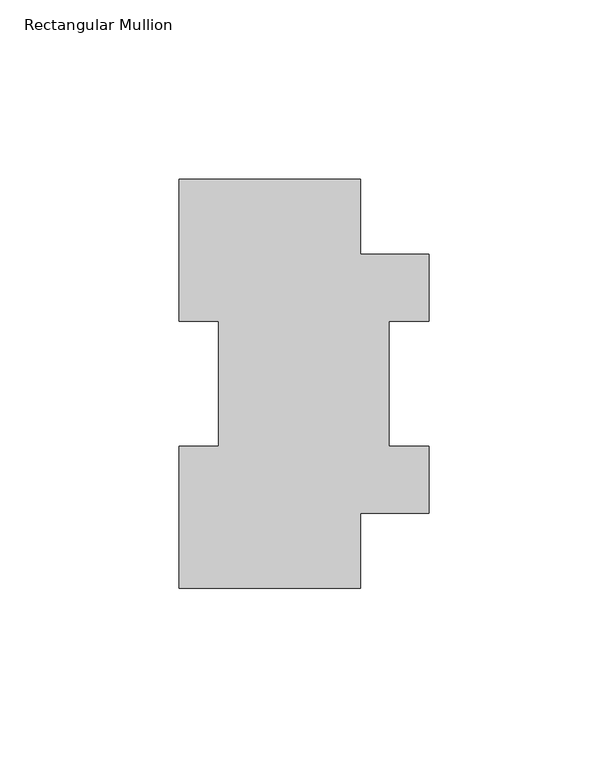
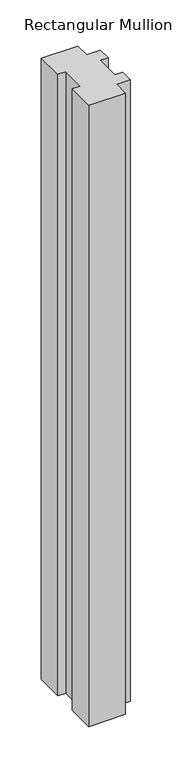
"""IFC4 building model written with IfcOpenShell, lengths in millimetres: member geometry, Rectangular Mullion."""

from ifc_helpers import new_model, si_unit, frame, origin, place, context, project, spatial, polyline, outline, extrude, source, transform, mapped, element, save


def rectangular_mullion_e54b5250(model_context):
    return source(origin(), model_context, "Body", "SweptSolid", [
        extrude(outline(polyline([(-25.3999997, 114.271425), (25.4000003, 114.271425), (25.4000003, 93.265625), (44.4500003, 93.265625), (44.4500003, 74.596625), (33.3375003, 74.596625), (33.3375003, 39.646225), (44.4500003, 39.646225), (44.4500003, 20.977225), (25.4000003, 20.977225), (25.4000003, -0.028575), (-25.3999997, -0.028575), (-25.3999997, 39.646225), (-14.2874997, 39.646225), (-14.2874997, 74.596625), (-25.3999997, 74.596625), (-25.3999997, 114.271425)])), frame((0.0, 0.0, -914.4), z_axis=(0.0, 0.0, 1.0), x_axis=(1.0, 0.0, 0.0)), (0.0, 0.0, 1.0), 914.4),
    ])


if __name__ == "__main__":
    model = new_model("IFC4")
    model_context = context("Model", 3, world=origin())
    ifc_project = project(units=[si_unit("LENGTHUNIT", "METRE", prefix="MILLI")], contexts=[model_context])
    site = spatial("IfcSite", under=ifc_project)
    building = spatial("IfcBuilding", under=site)
    placement = place(None, origin())
    rectangular_mullion_shape = rectangular_mullion_e54b5250(model_context)
    element("IfcMember", 1, ObjectType="Rectangular Mullion", at=placement, inside=building, context=model_context, shape_type="MappedRepresentation", body=[
        mapped(rectangular_mullion_shape, transform((0.0, 0.0, 0.0), x_axis=(1.0, 0.0, 0.0), y_axis=(0.0, 1.0, 0.0), z_axis=(0.0, 0.0, 1.0))),
    ])
    save(model, "model.ifc")
